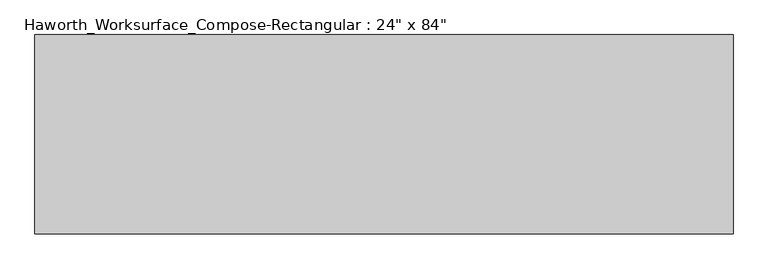
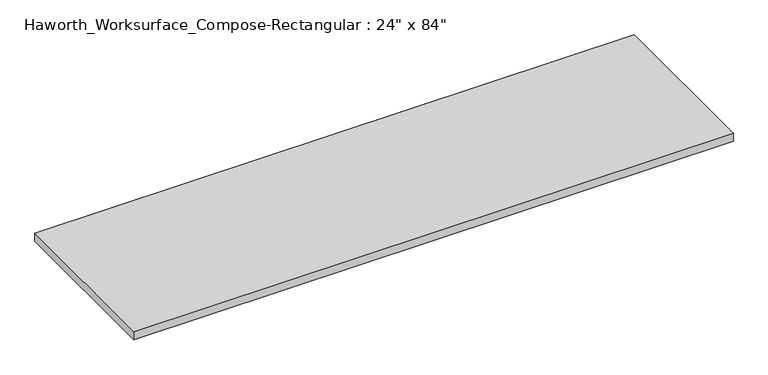
"""IFC4 building model written with IfcOpenShell, lengths in millimetres: furniture geometry."""

from ifc_helpers import new_model, si_unit, frame, origin, place, context, project, spatial, polyline, outline, extrude, source, transform, mapped, element, save


def furniture_002952f4(model_context):
    return source(origin(), model_context, "Body", "SweptSolid", [
        extrude(outline(polyline([(1066.8, 304.8), (1066.8, -304.8), (-1066.8, -304.8), (-1066.8, 304.8), (1066.8, 304.8)])), frame((0.0, 0.0, 706.4375), z_axis=(0.0, 0.0, 1.0), x_axis=(1.0, 0.0, 0.0)), (0.0, 0.0, 1.0), 30.1625),
    ])


if __name__ == "__main__":
    model = new_model("IFC4")
    model_context = context("Model", 3, world=origin())
    ifc_project = project(units=[si_unit("LENGTHUNIT", "METRE", prefix="MILLI")], contexts=[model_context])
    site = spatial("IfcSite", under=ifc_project)
    building = spatial("IfcBuilding", under=site)
    placement = place(None, origin())
    furniture_shape = furniture_002952f4(model_context)
    element("IfcFurniture", 1, ObjectType="Haworth_Worksurface_Compose-Rectangular : 24\" x 84\"", at=placement, inside=building, context=model_context, shape_type="MappedRepresentation", body=[
        mapped(furniture_shape, transform((0.0, 0.0, 0.0), x_axis=(1.0, 0.0, 0.0), y_axis=(0.0, 1.0, 0.0), z_axis=(0.0, 0.0, 1.0))),
    ])
    save(model, "model.ifc")
